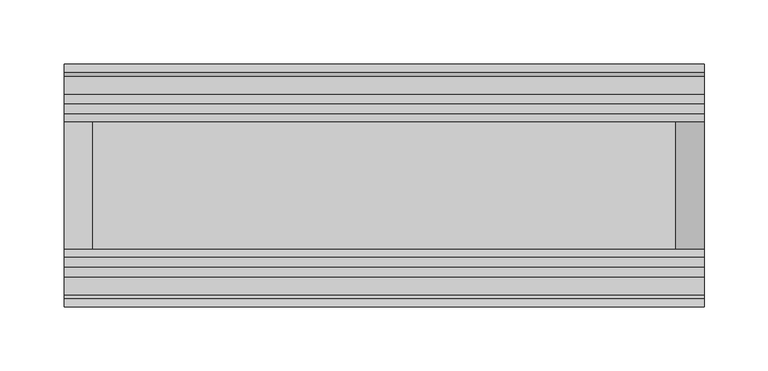
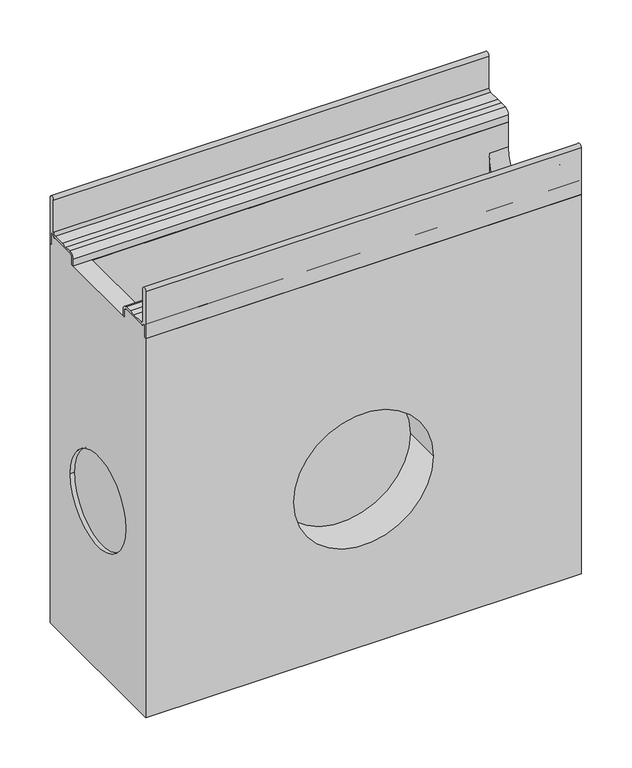
"""IFC4 building model written with IfcOpenShell, lengths in millimetres: proxy geometry."""

from ifc_helpers import new_model, si_unit, point, frame, frame_2d, origin, place, context, project, spatial, polyline, circle_curve, trimmed, segment, composite_curve, outline, extrude, source, transform, mapped, element, save
from ifc_brep_helpers import plane_surface, cylinder_surface, revolved_surface, advanced_brep


def generic_models_95bfc800(model_context):
    return source(origin(), model_context, "Body", "SolidModel", [
        advanced_brep(
        [(500.0, 95.0, -520.0), (500.0, 95.0, -60.0409124), (500.0, 91.9621547, -60.0409124), (500.0, 91.9621547, -45.4121775), (500.0, 90.5838153, -45.4121775), (500.0, 85.5826794, -48.0378453), (500.0, 56.0756907, -48.0378453), (500.0, 52.9900031, -51.1235329), (500.0, 52.9900031, -60.011934), (500.0, 50.0, -60.011934), (500.0, 50.0, -90.0), (500.0, -50.0, -90.0), (500.0, -50.0, -60.011934), (500.0, -52.9900031, -60.011934), (500.0, -52.9900031, -51.1235329), (500.0, -56.0756907, -48.0378453), (500.0, -85.5826794, -48.0378453), (500.0, -90.5838153, -45.4121775), (500.0, -91.9621547, -45.4121775), (500.0, -91.9621547, -60.0409124), (500.0, -95.0, -60.0409124), (500.0, -95.0, -520.0), (0.0, 95.0, -520.0), (0.0, -95.0, -520.0), (0.0, -95.0, -60.0409124), (0.0, -91.9621547, -60.0409124), (0.0, -91.9621547, -45.4121775), (0.0, -90.5838153, -45.4121775), (0.0, -85.5826794, -48.0378453), (0.0, -56.0756907, -48.0378453), (0.0, -52.9900031, -51.1235329), (0.0, -52.9900031, -60.011934), (0.0, 52.9900031, -60.011934), (0.0, 52.9900031, -51.1235329), (0.0, 56.0756907, -48.0378453), (0.0, 85.5826794, -48.0378453), (0.0, 90.5838153, -45.4121775), (0.0, 91.9621547, -45.4121775), (0.0, 91.9621547, -60.0409124), (0.0, 95.0, -60.0409124), (0.0, -55.0, -315.0), (0.0, 55.0, -315.0), (22.0, 50.0, -60.011934), (22.0, 50.0, -480.0), (478.0, 50.0, -480.0), (478.0, 50.0, -90.0), (330.0, -95.0, -318.0), (170.0, -95.0, -318.0), (5.0, -55.0, -315.0), (5.0, 55.0, -315.0), (478.0, -50.0, -90.0), (478.0, -50.0, -480.0), (22.0, -50.0, -480.0), (22.0, -50.0, -60.011934), (170.0, -50.0, -318.0), (330.0, -50.0, -318.0), (22.0, 56.0756907, -48.0378453), (22.0, 52.9900031, -51.1235329), (22.0, -52.9900031, -51.1235329), (22.0, -56.0756907, -48.0378453)],
        [
            (0, 1),
            (1, 2),
            (2, 3),
            (3, 4),
            (4, 5, circle_curve(frame((500.0, 85.5826794, -41.9621547), z_axis=(-1.0, 0.0, 0.0), x_axis=(0.0, 1.0, 0.0)), 6.0756907)),
            (5, 6),
            (6, 7, circle_curve(frame((500.0, 56.0756907, -51.1235329), z_axis=(1.0, 0.0, 0.0), x_axis=(0.0, 1.0, 0.0)), 3.0856876)),
            (7, 8),
            (8, 9),
            (9, 10),
            (10, 11, circle_curve(frame((500.0, 0.0, -90.0), z_axis=(-1.0, 0.0, 0.0), x_axis=(0.0, 1.0, 0.0)), 50.0)),
            (11, 12),
            (12, 13),
            (13, 14),
            (14, 15, circle_curve(frame((500.0, -56.0756907, -51.1235329), z_axis=(1.0, 0.0, 0.0), x_axis=(0.0, 1.0, 0.0)), 3.0856876)),
            (15, 16),
            (16, 17, circle_curve(frame((500.0, -85.5826794, -41.9621547), z_axis=(-1.0, 0.0, 0.0), x_axis=(0.0, 1.0, 0.0)), 6.0756907)),
            (17, 18),
            (18, 19),
            (19, 20),
            (20, 21),
            (21, 0),
            (22, 23),
            (23, 24),
            (24, 25),
            (25, 26),
            (26, 27),
            (27, 28, circle_curve(frame((0.0, -85.5826794, -41.9621547), z_axis=(1.0, 0.0, 0.0), x_axis=(0.0, 1.0, 0.0)), 6.0756907)),
            (28, 29),
            (29, 30, circle_curve(frame((0.0, -56.0756907, -51.1235329), z_axis=(-1.0, 0.0, 0.0), x_axis=(0.0, 1.0, 0.0)), 3.0856876)),
            (30, 31),
            (31, 32),
            (32, 33),
            (33, 34, circle_curve(frame((0.0, 56.0756907, -51.1235329), z_axis=(-1.0, 0.0, 0.0), x_axis=(0.0, 1.0, 0.0)), 3.0856876)),
            (34, 35),
            (35, 36, circle_curve(frame((0.0, 85.5826794, -41.9621547), z_axis=(1.0, 0.0, 0.0), x_axis=(0.0, 1.0, 0.0)), 6.0756907)),
            (36, 37),
            (37, 38),
            (38, 39),
            (39, 22),
            (40, 41, circle_curve(frame((0.0, 0.0, -315.0), z_axis=(1.0, 0.0, 0.0), x_axis=(0.0, 1.0, 0.0)), 55.0)),
            (41, 40, circle_curve(frame((0.0, 0.0, -315.0), z_axis=(1.0, 0.0, 0.0), x_axis=(0.0, 1.0, 0.0)), 55.0)),
            (0, 22),
            (39, 1),
            (9, 42),
            (42, 43),
            (43, 44),
            (44, 45),
            (45, 10),
            (20, 24),
            (23, 21),
            (46, 47, circle_curve(frame((250.0, -95.0, -318.0), z_axis=(0.0, 1.0, 0.0), x_axis=(1.0, 0.0, 0.0)), 80.0)),
            (47, 46, circle_curve(frame((250.0, -95.0, -318.0), z_axis=(0.0, 1.0, 0.0), x_axis=(1.0, 0.0, 0.0)), 80.0)),
            (48, 49, circle_curve(frame((5.0, 0.0, -315.0), z_axis=(-1.0, 0.0, 0.0), x_axis=(0.0, 1.0, 0.0)), 55.0)),
            (49, 48, circle_curve(frame((5.0, 0.0, -315.0), z_axis=(-1.0, 0.0, 0.0), x_axis=(0.0, 1.0, 0.0)), 55.0)),
            (49, 41),
            (40, 48),
            (11, 50),
            (50, 51),
            (51, 52),
            (52, 53),
            (53, 12),
            (54, 55, circle_curve(frame((250.0, -50.0, -318.0), z_axis=(0.0, -1.0, 0.0), x_axis=(1.0, 0.0, 0.0)), 80.0)),
            (55, 54, circle_curve(frame((250.0, -50.0, -318.0), z_axis=(0.0, -1.0, 0.0), x_axis=(1.0, 0.0, 0.0)), 80.0)),
            (54, 47),
            (46, 55),
            (38, 2),
            (37, 3),
            (36, 4),
            (35, 5),
            (34, 56),
            (56, 6),
            (33, 57),
            (57, 7),
            (32, 8),
            (31, 13),
            (53, 42),
            (45, 50, circle_curve(frame((478.0, 0.0, -90.0), z_axis=(-1.0, 0.0, 0.0), x_axis=(0.0, 1.0, 0.0)), 50.0)),
            (30, 58),
            (58, 14),
            (29, 59),
            (59, 15),
            (28, 16),
            (27, 17),
            (26, 18),
            (25, 19),
            (43, 52),
            (51, 44),
        ],
        [
            plane_surface(frame((500.0, 95.0, -60.0409124), z_axis=(1.0, 0.0, 0.0), x_axis=(0.0, 0.0, 1.0))),
            plane_surface(frame((0.0, 95.0, -60.0409124), z_axis=(-1.0, 0.0, 0.0), x_axis=(0.0, 0.0, -1.0))),
            plane_surface(frame((500.0, 95.0, -520.0), z_axis=(0.0, 1.0, 0.0), x_axis=(-1.0, 0.0, 0.0))),
            plane_surface(frame((500.0, 50.0, -60.011934), z_axis=(0.0, -1.0, 0.0), x_axis=(-1.0, 0.0, 0.0))),
            plane_surface(frame((500.0, -95.0, -60.0409124), z_axis=(0.0, -1.0, 0.0), x_axis=(-1.0, 0.0, 0.0))),
            plane_surface(frame((500.0, -95.0, -520.0), z_axis=(0.0, 0.0, -1.0), x_axis=(-1.0, 0.0, 0.0))),
            plane_surface(frame((5.0, 55.0, -315.0), z_axis=(-1.0, 0.0, 0.0), x_axis=(0.0, 0.0, 1.0))),
            revolved_surface(polyline([(5.0, 55.0, -315.0), (0.0, 55.0, -315.0)]), (0.0, 0.0, -315.0), (1.0, 0.0, 0.0)),
            plane_surface(frame((500.0, -50.0, -90.0), z_axis=(0.0, 1.0, 0.0), x_axis=(-1.0, 0.0, 0.0))),
            revolved_surface(polyline([(330.0, -95.0, -318.0), (330.0, -50.0, -318.0)]), (250.0, 0.0, -318.0), (0.0, -1.0, 0.0)),
            plane_surface(frame((500.0, 95.0, -60.0409124), z_axis=(0.0, 0.0, 1.0), x_axis=(-1.0, 0.0, 0.0))),
            plane_surface(frame((500.0, 91.9621547, -60.0409124), z_axis=(0.0, 1.0, 0.0), x_axis=(-1.0, 0.0, 0.0))),
            plane_surface(frame((500.0, 91.9621547, -45.4121775), z_axis=(0.0, 0.0, 1.0), x_axis=(-1.0, 0.0, 0.0))),
            revolved_surface(polyline([(0.0, 91.6583701, -41.9621547), (500.0, 91.6583701, -41.9621547)]), (0.0, 85.5826794, -41.9621547), (-1.0, 0.0, 0.0)),
            plane_surface(frame((500.0, 85.5826794, -48.0378453), z_axis=(0.0, 0.0, 1.0), x_axis=(-1.0, 0.0, 0.0))),
            cylinder_surface(frame((0.0, 56.0756907, -51.1235329), z_axis=(1.0, 0.0, 0.0), x_axis=(0.0, 1.0, 0.0)), 3.0856876),
            plane_surface(frame((500.0, 52.9900031, -51.1235329), z_axis=(0.0, -1.0, 0.0), x_axis=(-1.0, 0.0, 0.0))),
            plane_surface(frame((500.0, 52.9900031, -60.011934), z_axis=(0.0, 0.0, 1.0), x_axis=(-1.0, 0.0, 0.0))),
            revolved_surface(polyline([(478.0, 50.0, -90.0), (500.0, 50.0, -90.0)]), (0.0, 0.0, -90.0), (-1.0, 0.0, 0.0)),
            plane_surface(frame((500.0, -52.9900031, -60.011934), z_axis=(0.0, 1.0, 0.0), x_axis=(-1.0, 0.0, 0.0))),
            cylinder_surface(frame((0.0, -56.0756907, -51.1235329), z_axis=(1.0, 0.0, 0.0), x_axis=(0.0, 1.0, 0.0)), 3.0856876),
            plane_surface(frame((500.0, -56.0756907, -48.0378453), z_axis=(0.0, 0.0, 1.0), x_axis=(-1.0, 0.0, 0.0))),
            revolved_surface(polyline([(0.0, -79.50698870000001, -41.9621547), (500.0, -79.50698870000001, -41.9621547)]), (0.0, -85.5826794, -41.9621547), (-1.0, 0.0, 0.0)),
            plane_surface(frame((500.0, -90.5838153, -45.4121775), z_axis=(0.0, 0.0, 1.0), x_axis=(-1.0, 0.0, 0.0))),
            plane_surface(frame((500.0, -91.9621547, -45.4121775), z_axis=(0.0, -1.0, 0.0), x_axis=(-1.0, 0.0, 0.0))),
            plane_surface(frame((500.0, -91.9621547, -60.0409124), z_axis=(0.0, 0.0, 1.0), x_axis=(-1.0, 0.0, 0.0))),
            plane_surface(frame((22.0, 50.0, -480.0), z_axis=(0.0, 0.0, 1.0), x_axis=(1.0, 0.0, 0.0))),
            plane_surface(frame((22.0, 50.0, 0.0), z_axis=(1.0, 0.0, 0.0), x_axis=(0.0, 0.0, -1.0))),
            plane_surface(frame((478.0, -50.0, 0.0), z_axis=(-1.0, 0.0, 0.0), x_axis=(0.0, 0.0, -1.0))),
        ],
        [
            (0, [[1, 2, 3, 4, 5, 6, 7, 8, 9, 10, 11, 12, 13, 14, 15, 16, 17, 18, 19, 20, 21, 22]]),
            (1, [[23, 24, 25, 26, 27, 28, 29, 30, 31, 32, 33, 34, 35, 36, 37, 38, 39, 40], [41, 42]]),
            (2, [[-1, 43, -40, 44]]),
            (3, [[-10, 45, 46, 47, 48, 49]]),
            (4, [[-21, 50, -24, 51], [52, 53]]),
            (5, [[-22, -51, -23, -43]]),
            (6, [[54, 55]]),
            (7, [[-55, 56, -41, 57]]),
            (7, [[-54, -57, -42, -56]]),
            (8, [[-12, 58, 59, 60, 61, 62], [63, 64]]),
            (9, [[65, -52, 66, -63]]),
            (9, [[-65, -64, -66, -53]]),
            (10, [[-2, -44, -39, 67]]),
            (11, [[-3, -67, -38, 68]]),
            (12, [[-4, -68, -37, 69]]),
            (13, [[-5, -69, -36, 70]]),
            (14, [[-6, -70, -35, 71, 72]]),
            (15, [[-7, -72, -71, -34, 73, 74]]),
            (16, [[-8, -74, -73, -33, 75]]),
            (17, [[-9, -75, -32, 76, -13, -62, 77, -45]]),
            (18, [[-11, -49, 78, -58]]),
            (19, [[-14, -76, -31, 79, 80]]),
            (20, [[-15, -80, -79, -30, 81, 82]]),
            (21, [[-16, -82, -81, -29, 83]]),
            (22, [[-17, -83, -28, 84]]),
            (23, [[-18, -84, -27, 85]]),
            (24, [[-19, -85, -26, 86]]),
            (25, [[-20, -86, -25, -50]]),
            (26, [[-47, 87, -60, 88]]),
            (27, [[-87, -46, -77, -61]]),
            (28, [[-88, -59, -78, -48]]),
        ],
    ),
        extrude(outline(composite_curve([segment(trimmed(circle_curve(frame_2d((-91.8102624, -3.1897376)), 3.1897376), [point((-95.0, -3.1897376))], [point((-88.6205248, -3.1897376))], False, "CARTESIAN"), True, "CONTINUOUS"), segment(polyline([(-88.6205248, -3.1897376), (-88.6205248, -41.9621547)]), True, "CONTINUOUS"), segment(trimmed(circle_curve(frame_2d((-85.5826794, -41.9621547)), 3.0378453), [point((-88.6205248, -41.9621547))], [point((-85.5826794, -45.0))], True, "CARTESIAN"), True, "CONTINUOUS"), segment(polyline([(-85.5826794, -45.0), (-71.4566985, -45.0), (-63.8620852, -45.0), (-56.0756907, -45.0)]), True, "CONTINUOUS"), segment(trimmed(circle_curve(frame_2d((-56.0756907, -51.0756907)), 6.0756907), [point((-56.0756907, -45.0))], [point((-50.0, -51.0756907))], False, "CARTESIAN"), True, "CONTINUOUS"), segment(polyline([(-50.0, -51.0756907), (-50.0, -60.011934), (-52.9900031, -60.011934), (-52.9900031, -51.1235329)]), True, "CONTINUOUS"), segment(trimmed(circle_curve(frame_2d((-56.0756907, -51.1235329)), 3.0856876), [point((-52.9900031, -51.1235329))], [point((-56.0756907, -48.0378453))], True, "CARTESIAN"), True, "CONTINUOUS"), segment(polyline([(-56.0756907, -48.0378453), (-85.5826794, -48.0378453)]), True, "CONTINUOUS"), segment(trimmed(circle_curve(frame_2d((-85.5826794, -41.9621547)), 6.0756907), [point((-85.5826794, -48.0378453))], [point((-90.5838153, -45.4121775))], False, "CARTESIAN"), True, "CONTINUOUS"), segment(polyline([(-90.5838153, -45.4121775), (-91.9621547, -45.4121775), (-91.9621547, -60.0409124), (-95.0, -60.0409124), (-95.0, -3.1897376)]), True, "CONTINUOUS")], self_intersect=False)), frame((0.0, 0.0, 0.0), z_axis=(1.0, 0.0, 0.0), x_axis=(0.0, 1.0, 0.0)), (0.0, 0.0, 1.0), 500.0),
        extrude(outline(composite_curve([segment(polyline([(95.0, -3.1897376), (95.0, -60.0409124), (91.9621547, -60.0409124), (91.9621547, -45.4121775), (90.5838153, -45.4121775)]), True, "CONTINUOUS"), segment(trimmed(circle_curve(frame_2d((85.5826794, -41.9621547)), 6.0756907), [point((90.5838153, -45.4121775))], [point((85.5826794, -48.0378453))], False, "CARTESIAN"), True, "CONTINUOUS"), segment(polyline([(85.5826794, -48.0378453), (56.0756907, -48.0378453)]), True, "CONTINUOUS"), segment(trimmed(circle_curve(frame_2d((56.0756907, -51.1235329)), 3.0856876), [point((56.0756907, -48.0378453))], [point((52.9900031, -51.1235329))], True, "CARTESIAN"), True, "CONTINUOUS"), segment(polyline([(52.9900031, -51.1235329), (52.9900031, -60.011934), (50.0, -60.011934), (50.0, -51.0756907)]), True, "CONTINUOUS"), segment(trimmed(circle_curve(frame_2d((56.0756907, -51.0756907)), 6.0756907), [point((50.0, -51.0756907))], [point((56.0756907, -45.0))], False, "CARTESIAN"), True, "CONTINUOUS"), segment(polyline([(56.0756907, -45.0), (63.8620852, -45.0), (71.4566985, -45.0), (85.5826794, -45.0)]), True, "CONTINUOUS"), segment(trimmed(circle_curve(frame_2d((85.5826794, -41.9621547)), 3.0378453), [point((85.5826794, -45.0))], [point((88.6205248, -41.9621547))], True, "CARTESIAN"), True, "CONTINUOUS"), segment(polyline([(88.6205248, -41.9621547), (88.6205248, -3.1897376)]), True, "CONTINUOUS"), segment(trimmed(circle_curve(frame_2d((91.8102624, -3.1897376)), 3.1897376), [point((88.6205248, -3.1897376))], [point((95.0, -3.1897376))], False, "CARTESIAN"), True, "CONTINUOUS")], self_intersect=False)), frame((0.0, 0.0, 0.0), z_axis=(1.0, 0.0, 0.0), x_axis=(0.0, 1.0, 0.0)), (0.0, 0.0, 1.0), 500.0),
    ])


if __name__ == "__main__":
    model = new_model("IFC4")
    model_context = context("Model", 3, world=origin())
    ifc_project = project(units=[si_unit("LENGTHUNIT", "METRE", prefix="MILLI")], contexts=[model_context])
    site = spatial("IfcSite", under=ifc_project)
    building = spatial("IfcBuilding", under=site)
    placement = place(None, origin())
    generic_models_shape = generic_models_95bfc800(model_context)
    element("IfcBuildingElementProxy", 1, Name="Generic Models", at=placement, inside=building, context=model_context, shape_type="MappedRepresentation", body=[
        mapped(generic_models_shape, transform((0.0, 0.0, 0.0), x_axis=(1.0, 0.0, 0.0), y_axis=(0.0, 1.0, 0.0), z_axis=(0.0, 0.0, 1.0))),
    ])
    save(model, "model.ifc")
